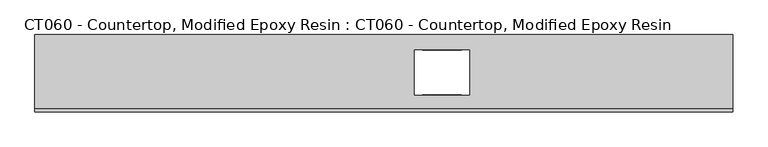
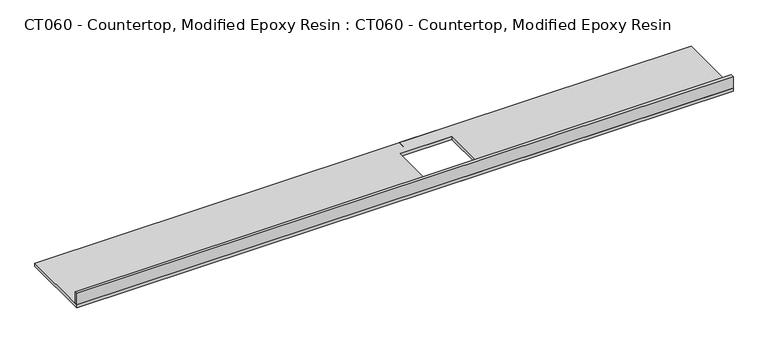
"""IFC4 building model written with IfcOpenShell, lengths in millimetres: proxy geometry, CT060 - Countertop, Modified Epoxy Resin : CT060 - Countertop, Modified Epoxy Resin."""

from ifc_helpers import new_model, si_unit, frame, origin, place, context, project, spatial, polyline, outline, extrude, source, transform, mapped, element, save


def ct060_countertop_modified_epoxy_resin_ct060_countertop_3dc5bf38(model_context):
    return source(origin(), model_context, "Body", "SweptSolid", [
        extrude(outline(polyline([(2286.0, -304.8), (-3200.4, -304.8), (-3200.4, 304.8), (2286.0, 304.8), (2286.0, -304.8)]), holes=[polyline([(215.6740806, -170.7870702), (215.6740806, 183.7016057), (-215.6740806, 183.7016057), (-215.6740806, -170.7870702), (215.6740806, -170.7870702)])]), frame((0.0, 0.0, 838.2), z_axis=(0.0, 0.0, 1.0), x_axis=(1.0, 0.0, 0.0)), (0.0, 0.0, 1.0), 25.4),
        extrude(outline(polyline([(152.4, 304.8), (152.4, 183.7016057), (-152.4, 183.7016057), (-152.4, 304.8), (152.4, 304.8)])), frame((0.0, 0.0, 838.2), z_axis=(0.0, 0.0, 1.0), x_axis=(1.0, 0.0, 0.0)), (0.0, 0.0, 1.0), 25.4),
        extrude(outline(polyline([(-152.4, -304.8), (-152.4, -170.7870702), (152.4, -170.7870702), (152.4, -304.8), (-152.4, -304.8)])), frame((0.0, 0.0, 838.2), z_axis=(0.0, 0.0, 1.0), x_axis=(1.0, 0.0, 0.0)), (0.0, 0.0, 1.0), 25.4),
        extrude(outline(polyline([(-3200.4, -279.4), (2286.0, -279.4), (2286.0, -304.8), (-3200.4, -304.8), (-3200.4, -279.4)])), frame((0.0, 0.0, 863.6), z_axis=(0.0, 0.0, 1.0), x_axis=(1.0, 0.0, 0.0)), (0.0, 0.0, 1.0), 101.6),
    ])


if __name__ == "__main__":
    model = new_model("IFC4")
    model_context = context("Model", 3, world=origin())
    ifc_project = project(units=[si_unit("LENGTHUNIT", "METRE", prefix="MILLI")], contexts=[model_context])
    site = spatial("IfcSite", under=ifc_project)
    building = spatial("IfcBuilding", under=site)
    placement = place(None, origin())
    ct060_countertop_modified_epoxy_resin_ct060_countertop_shape = ct060_countertop_modified_epoxy_resin_ct060_countertop_3dc5bf38(model_context)
    element("IfcBuildingElementProxy", 1, Name="CT060 - Countertop, Modified Epoxy Resin : CT060 - Countertop, Modified Epoxy Resin", ObjectType="CT060 - Countertop, Modified Epoxy Resin : CT060 - Countertop, Modified Epoxy Resin", at=placement, inside=building, context=model_context, shape_type="MappedRepresentation", body=[
        mapped(ct060_countertop_modified_epoxy_resin_ct060_countertop_shape, transform((0.0, 0.0, 0.0), x_axis=(1.0, 0.0, 0.0), y_axis=(0.0, 1.0, 0.0), z_axis=(0.0, 0.0, 1.0))),
    ])
    save(model, "model.ifc")
